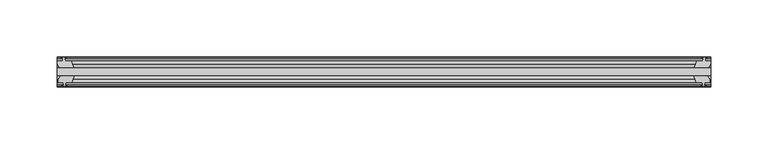
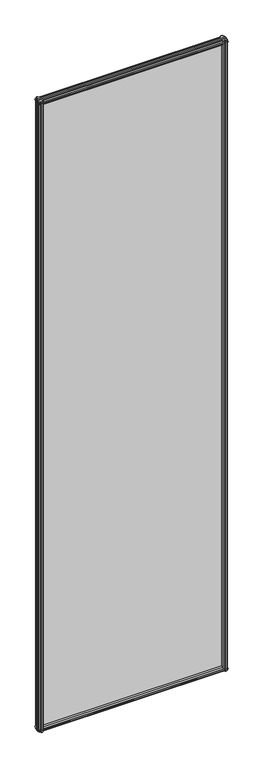
"""IFC4 building model written with IfcOpenShell, lengths in millimetres: plate geometry."""

from ifc_helpers import new_model, si_unit, frame, origin, place, context, project, spatial, polyline, outline, extrude, source, transform, mapped, element, save


def plate_0c3e101b(model_context):
    return source(origin(), model_context, "Body", "SweptSolid", [
        extrude(outline(polyline([(-285.75, -19.5460937), (285.75, -19.5460937), (285.75, -25.8960937), (-285.75, -25.8960937), (-285.75, -19.5460937)])), frame((0.0, 0.0, -12.7), z_axis=(0.0, 0.0, 1.0), x_axis=(1.0, 0.0, 0.0)), (0.0, 0.0, 1.0), 2019.3),
        extrude(outline(polyline([(282.7753038, -25.8960937), (284.988, -29.2996938), (284.988, -32.2460938), (280.543, -32.2460938), (280.162, -34.6262907), (281.5775291, -34.1663575), (281.5775291, -34.9675717), (279.4, -35.6750938), (277.2224709, -34.9675717), (277.2224709, -34.1663575), (278.638, -34.6262907), (278.257, -32.2460938), (273.05, -32.2460938), (270.9447229, -25.8960937), (282.7753038, -25.8960937)])), frame((0.0, 0.0, -12.7), z_axis=(0.0, 0.0, 1.0), x_axis=(1.0, 0.0, 0.0)), (0.0, 0.0, 1.0), 2019.3),
        extrude(outline(polyline([(277.7431709, -10.4746158), (279.9207, -9.7670938), (282.098229, -10.4746158), (282.098229, -11.27583), (280.6827, -10.8158968), (281.0637, -13.1960938), (285.5087, -13.1960938), (285.5087, -16.1424938), (283.2960038, -19.5460937), (271.4654229, -19.5460937), (273.5707, -13.1960938), (278.7777, -13.1960938), (279.1587, -10.8158968), (277.7431709, -11.27583), (277.7431709, -10.4746158)])), frame((0.0, 0.0, -12.7), z_axis=(0.0, 0.0, 1.0), x_axis=(1.0, 0.0, 0.0)), (0.0, 0.0, 1.0), 2019.3),
        extrude(outline(polyline([(-270.9447229, -25.8960937), (-273.05, -32.2460937), (-278.257, -32.2460937), (-278.638, -34.6262907), (-277.2224709, -34.1663575), (-277.2224709, -34.9675717), (-279.4, -35.6750937), (-281.5775291, -34.9675717), (-281.5775291, -34.1663575), (-280.162, -34.6262907), (-280.543, -32.2460937), (-284.988, -32.2460937), (-284.988, -29.2996937), (-282.7753038, -25.8960937), (-270.9447229, -25.8960937)])), frame((0.0, 0.0, -12.7), z_axis=(0.0, 0.0, 1.0), x_axis=(1.0, 0.0, 0.0)), (0.0, 0.0, 1.0), 2019.3),
        extrude(outline(polyline([(-280.6827, -10.8158968), (-282.098229, -11.27583), (-282.098229, -10.4746158), (-279.9207, -9.7670937), (-277.7431709, -10.4746158), (-277.7431709, -11.27583), (-279.1587, -10.8158968), (-278.7777, -13.1960937), (-273.5707, -13.1960937), (-271.4654229, -19.5460937), (-283.2960038, -19.5460937), (-285.5087, -16.1424937), (-285.5087, -13.1960937), (-281.0637, -13.1960937), (-280.6827, -10.8158968)])), frame((0.0, 0.0, -12.7), z_axis=(0.0, 0.0, 1.0), x_axis=(1.0, 0.0, 0.0)), (0.0, 0.0, 1.0), 2019.3),
        extrude(outline(polyline([(-13.1960937, 2006.3587), (-13.1960937, 2001.9137), (-10.8158968, 2001.5327), (-11.27583, 2002.9482291), (-10.4746158, 2002.9482291), (-9.7670937, 2000.7707), (-10.4746158, 1998.5931709), (-11.27583, 1998.5931709), (-10.8158968, 2000.0087), (-13.1960937, 1999.6277), (-13.1960937, 1994.4207), (-19.5460937, 1992.3154229), (-19.5460937, 2004.1460038), (-16.1424937, 2006.3587), (-13.1960937, 2006.3587)])), frame((-285.75, 0.0, 0.0), z_axis=(1.0, 0.0, 0.0), x_axis=(0.0, 1.0, 0.0)), (0.0, 0.0, 1.0), 571.5),
        extrude(outline(polyline([(-29.2996937, 2005.838), (-25.8960937, 2003.6253038), (-25.8960937, 1991.7947229), (-32.2460937, 1993.9), (-32.2460937, 1999.107), (-34.6262907, 1999.488), (-34.1663575, 1998.072471), (-34.9675717, 1998.072471), (-35.6750937, 2000.25), (-34.9675717, 2002.4275291), (-34.1663575, 2002.4275291), (-34.6262907, 2001.012), (-32.2460937, 2001.393), (-32.2460937, 2005.838), (-29.2996937, 2005.838)])), frame((-285.75, 0.0, 0.0), z_axis=(1.0, 0.0, 0.0), x_axis=(0.0, 1.0, 0.0)), (0.0, 0.0, 1.0), 571.5),
        extrude(outline(polyline([(-25.8960937, 2.1052771), (-25.8960937, -9.7253038), (-29.2996937, -11.938), (-32.2460937, -11.938), (-32.2460937, -7.493), (-34.6262907, -7.112), (-34.1663575, -8.5275291), (-34.9675717, -8.5275291), (-35.6750937, -6.35), (-34.9675717, -4.1724709), (-34.1663575, -4.1724709), (-34.6262907, -5.588), (-32.2460937, -5.207), (-32.2460937, 0.0), (-25.8960937, 2.1052771)])), frame((-285.75, 0.0, 0.0), z_axis=(1.0, 0.0, 0.0), x_axis=(0.0, 1.0, 0.0)), (0.0, 0.0, 1.0), 571.5),
        extrude(outline(polyline([(-19.5460937, 1.5845771), (-13.1960937, -0.5207), (-13.1960937, -5.7277), (-10.8158968, -6.1087), (-11.27583, -4.6931709), (-10.4746158, -4.6931709), (-9.7670937, -6.8707), (-10.4746158, -9.048229), (-11.27583, -9.048229), (-10.8158968, -7.6327), (-13.1960937, -8.0137), (-13.1960937, -12.4587), (-16.1424937, -12.4587), (-19.5460937, -10.2460038), (-19.5460937, 1.5845771)])), frame((-285.75, 0.0, 0.0), z_axis=(1.0, 0.0, 0.0), x_axis=(0.0, 1.0, 0.0)), (0.0, 0.0, 1.0), 571.5),
    ])


if __name__ == "__main__":
    model = new_model("IFC4")
    model_context = context("Model", 3, world=origin())
    ifc_project = project(units=[si_unit("LENGTHUNIT", "METRE", prefix="MILLI")], contexts=[model_context])
    site = spatial("IfcSite", under=ifc_project)
    building = spatial("IfcBuilding", under=site)
    placement = place(None, origin())
    plate_shape = plate_0c3e101b(model_context)
    element("IfcPlate", 1, at=placement, inside=building, context=model_context, shape_type="MappedRepresentation", body=[
        mapped(plate_shape, transform((0.0, 0.0, 0.0), x_axis=(1.0, 0.0, 0.0), y_axis=(0.0, 1.0, 0.0), z_axis=(0.0, 0.0, 1.0))),
    ])
    save(model, "model.ifc")
